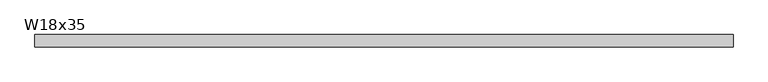
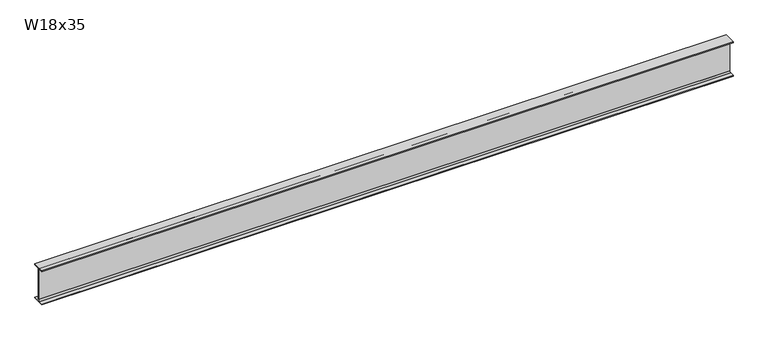
"""IFC4 building model written with IfcOpenShell, lengths in millimetres: beam geometry, W18x35."""

from ifc_helpers import new_model, si_unit, point, frame, frame_2d, origin, place, context, project, spatial, polyline, circle_curve, trimmed, segment, composite_curve, outline, extrude, source, transform, mapped, element, save


def w18x35_1c338014(model_context):
    return source(origin(), model_context, "Body", "SweptSolid", [
        extrude(outline(composite_curve([segment(polyline([(76.2, -213.995), (76.2, -224.79), (-76.2, -224.79), (-76.2, -213.995), (-21.59, -213.995)]), True, "CONTINUOUS"), segment(trimmed(circle_curve(frame_2d((-21.59, -196.215)), 17.78), [point((-21.59, -213.995))], [point((-3.81, -196.215))], True, "CARTESIAN"), True, "CONTINUOUS"), segment(polyline([(-3.81, -196.215), (-3.81, 196.215)]), True, "CONTINUOUS"), segment(trimmed(circle_curve(frame_2d((-21.59, 196.215)), 17.78), [point((-3.81, 196.215))], [point((-21.59, 213.995))], True, "CARTESIAN"), True, "CONTINUOUS"), segment(polyline([(-21.59, 213.995), (-76.2, 213.995), (-76.2, 224.79), (76.2, 224.79), (76.2, 213.995), (21.59, 213.995)]), True, "CONTINUOUS"), segment(trimmed(circle_curve(frame_2d((21.59, 196.215)), 17.78), [point((21.59, 213.995))], [point((3.81, 196.215))], True, "CARTESIAN"), True, "CONTINUOUS"), segment(polyline([(3.81, 196.215), (3.81, -196.215)]), True, "CONTINUOUS"), segment(trimmed(circle_curve(frame_2d((21.59, -196.215)), 17.78), [point((3.81, -196.215))], [point((21.59, -213.995))], True, "CARTESIAN"), True, "CONTINUOUS"), segment(polyline([(21.59, -213.995), (76.2, -213.995)]), True, "CONTINUOUS")], self_intersect=False)), frame((-4258.3784363, 0.0, 0.0), z_axis=(1.0, 0.0, 0.0), x_axis=(0.0, 1.0, 0.0)), (0.0, 0.0, 1.0), 8597.029864),
    ])


if __name__ == "__main__":
    model = new_model("IFC4")
    model_context = context("Model", 3, world=origin())
    ifc_project = project(units=[si_unit("LENGTHUNIT", "METRE", prefix="MILLI")], contexts=[model_context])
    site = spatial("IfcSite", under=ifc_project)
    building = spatial("IfcBuilding", under=site)
    placement = place(None, origin())
    w18x35_shape = w18x35_1c338014(model_context)
    element("IfcBeam", 1, ObjectType="W18x35", at=placement, inside=building, context=model_context, shape_type="MappedRepresentation", body=[
        mapped(w18x35_shape, transform((0.0, 0.0, 0.0), x_axis=(1.0, 0.0, 0.0), y_axis=(0.0, 1.0, 0.0), z_axis=(0.0, 0.0, 1.0))),
    ])
    save(model, "model.ifc")
